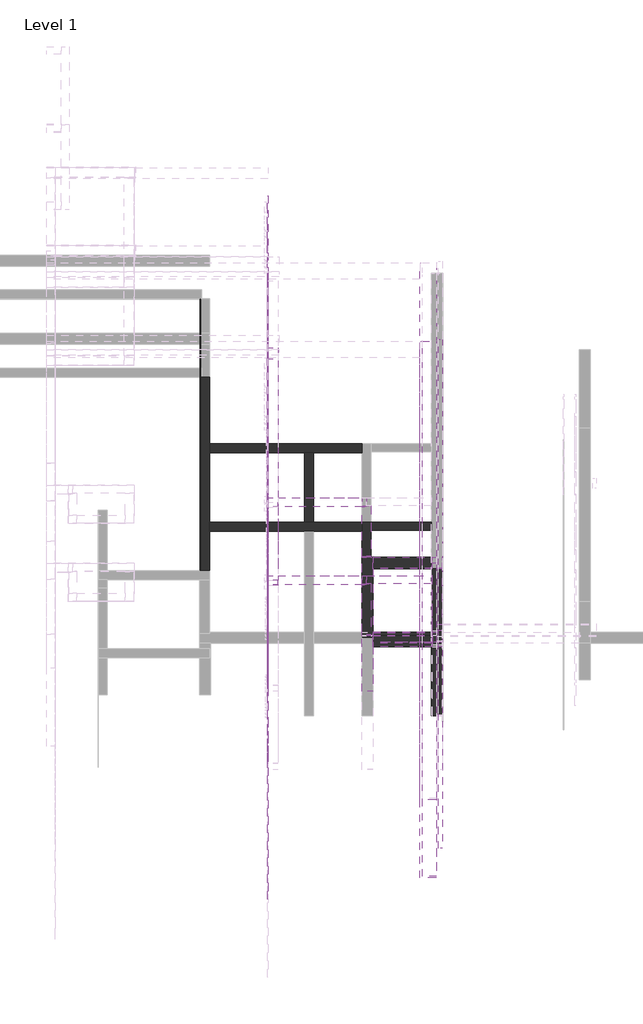
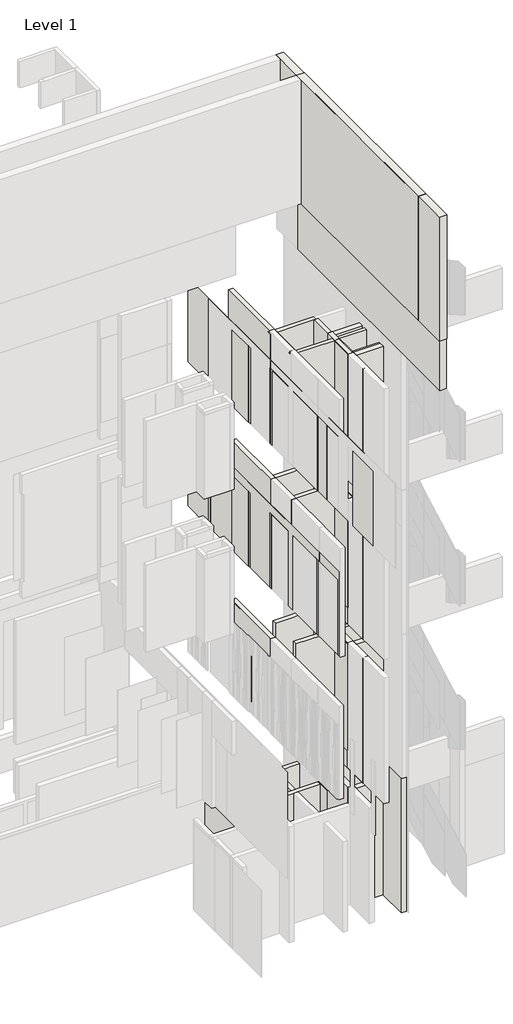
# One storey, part 5 of 16: 54 walls.
"""IFC4 building model written with IfcOpenShell, lengths in millimetres."""

from ifc_helpers import new_model, si_unit, point, frame, frame_2d, origin, origin_with_axes, place, context, project, spatial, polyline, circle_curve, trimmed, segment, composite_curve, outline, extrude, faceted_brep, element, save

model = new_model("IFC4")

# Units and contexts
model_context = context("Model", 3, world=origin())
ifc_project = project(units=[si_unit("LENGTHUNIT", "METRE", prefix="MILLI")], contexts=[model_context])

# Site, building, storey
site = spatial("IfcSite", under=ifc_project)
building = spatial("IfcBuilding", under=site)
storey = spatial("IfcBuildingStorey", under=building, Name="Level 1", Elevation=0.0)

# Walls
placement = place(None, origin())
element("IfcWall", 1, at=placement, inside=storey, context=model_context, shape_type="Brep", body=[
    faceted_brep([(11223.7910444, 9235.119403, 18400.0), (11223.7910444, 9019.119403, 18400.0), (11223.7910444, 2257.1194027, 18400.0), (11223.7910444, 2257.1194027, 22100.0), (11223.7910444, 9019.119403, 22100.0), (11223.7910444, 9235.119403, 22100.0), (11439.7910444, 9235.119403, 18400.0), (11439.7910444, 9235.119403, 22100.0), (11439.7910444, 2257.1194027, 22100.0), (11439.7910444, 2257.1194027, 18400.0)], [[[0, 1, 2, 3, 4, 5]], [[6, 7, 8, 9]], [[2, 1, 0, 6, 9]], [[3, 2, 9, 8]], [[5, 4, 3, 8, 7]], [[0, 5, 7, 6]]]),
])
element("IfcWall", 2, at=placement, inside=storey, context=model_context, shape_type="Brep", body=[
    faceted_brep([(11388.7910453, 5408.119403, 7745.0), (11388.7910453, 5408.119403, 4000.0), (11375.7910453, 5408.119403, 4000.0), (10614.7910444, 5408.119403, 4000.0), (10614.7910444, 5408.119403, 7745.0), (11375.7910453, 5408.119403, 7745.0), (11388.7910453, 5264.119403, 4000.0), (11388.7910453, 5264.119403, 7700.0), (11388.7910453, 5264.119403, 7745.0), (10614.7910444, 5264.119403, 7745.0), (10614.7910444, 5264.119403, 4000.0), (11388.7910453, 5336.119403, 7745.0)], [[[0, 1, 2, 3, 4, 5]], [[6, 7, 8, 9, 10]], [[3, 2, 1, 6, 10]], [[0, 5, 4, 9, 8, 11]], [[4, 3, 10, 9]], [[0, 11, 8, 7, 6, 1]]]),
])
element("IfcWall", 3, at=placement, inside=storey, context=model_context, shape_type="Brep", body=[
    faceted_brep([(11388.7910444, 5408.119403, 12045.0), (11388.7910444, 5408.119403, 8300.0), (11375.7910444, 5408.119403, 8300.0), (10614.7910444, 5408.119403, 8300.0), (10614.7910444, 5408.119403, 12045.0), (11375.7910444, 5408.119403, 12045.0), (11388.7910444, 5264.119403, 8300.0), (11388.7910444, 5264.119403, 12045.0), (10614.7910444, 5264.119403, 12045.0), (10614.7910444, 5264.119403, 8300.0)], [[[0, 1, 2, 3, 4, 5]], [[6, 7, 8, 9]], [[3, 2, 1, 6, 9]], [[0, 5, 4, 8, 7]], [[4, 3, 9, 8]], [[0, 7, 6, 1]]]),
])
element("IfcWall", 4, at=placement, inside=storey, context=model_context, shape_type="Brep", body=[
    faceted_brep([(11375.7910444, 6185.119403, 12045.0), (11375.7910444, 6185.119403, 8800.0), (10529.7910444, 6185.119403, 8800.0), (10529.7910444, 6185.119403, 12045.0), (11375.7910444, 6080.119403, 8800.0), (11375.7910444, 6080.119403, 12045.0), (10588.7910444, 6080.119403, 12045.0), (10529.7910444, 6080.119403, 12045.0), (10529.7910444, 6080.119403, 8800.0), (10588.7910444, 6080.119403, 8800.0)], [[[0, 1, 2, 3]], [[4, 5, 6, 7, 8, 9]], [[2, 1, 4, 9, 8]], [[3, 2, 8, 7]], [[0, 3, 7, 6, 5]], [[0, 5, 4, 1]]]),
])
element("IfcWall", 5, at=placement, inside=storey, context=model_context, shape_type="Brep", body=[
    faceted_brep([(11383.2910444, 5408.119403, 16367.0), (11383.2910444, 5408.119403, 12600.0), (11375.7910444, 5408.119403, 12600.0), (10614.7910444, 5408.119403, 12600.0), (10614.7910444, 5408.119403, 16367.0), (11375.7910444, 5408.119403, 16367.0), (11383.2910444, 5264.119403, 12600.0), (11383.2910444, 5264.119403, 16367.0), (10614.7910444, 5264.119403, 16367.0), (10614.7910444, 5264.119403, 12600.0), (11383.2910444, 5336.119403, 16367.0)], [[[0, 1, 2, 3, 4, 5]], [[6, 7, 8, 9]], [[3, 2, 1, 6, 9]], [[7, 10, 0, 5, 4, 8]], [[4, 3, 9, 8]], [[0, 10, 7, 6, 1]]]),
])
element("IfcWall", 6, at=placement, inside=storey, context=model_context, shape_type="Brep", body=[
    faceted_brep([(11375.7910444, 6185.119403, 13100.0), (10529.2910444, 6185.119403, 13100.0), (10529.2910444, 6185.119403, 16367.0), (11375.7910444, 6185.119403, 16367.0), (11375.7910444, 6080.119403, 13100.0), (11375.7910444, 6080.119403, 16367.0), (10588.2910444, 6080.119403, 16367.0), (10529.2910444, 6080.119403, 16367.0), (10529.2910444, 6080.119403, 13100.0), (10588.2910444, 6080.119403, 13100.0)], [[[0, 1, 2, 3]], [[4, 5, 6, 7, 8, 9]], [[1, 0, 4, 9, 8]], [[2, 1, 8, 7]], [[3, 2, 7, 6, 5]], [[0, 3, 5, 4]]]),
])
element("IfcWall", 7, at=placement, inside=storey, context=model_context, shape_type="Brep", body=[
    faceted_brep([(11439.7910444, 2274.1194027, 16900.0), (11439.7910444, 9235.119403, 16900.0), (11439.7910444, 9235.119403, 18400.0), (11439.7910444, 2274.1194027, 18400.0), (11257.7910444, 2274.1194027, 16900.0), (11257.7910444, 2274.1194027, 18400.0), (11257.7910444, 9053.119403, 18400.0), (11257.7910444, 9235.119403, 18400.0), (11257.7910444, 9235.119403, 16900.0), (11257.7910444, 9053.119403, 16900.0)], [[[0, 1, 2, 3]], [[4, 5, 6, 7, 8, 9]], [[1, 0, 4, 9, 8]], [[3, 2, 7, 6, 5]], [[0, 3, 5, 4]], [[2, 1, 8, 7]]]),
])
element("IfcWall", 8, at=placement, inside=storey, context=model_context, shape_type="Brep", body=[
    faceted_brep([(11375.7910444, 5408.119403, 0.0), (10614.7910444, 5408.119403, 0.0), (10614.7910444, 5408.119403, 2850.0), (10614.7910444, 5408.119403, 3437.0370192), (10614.7910444, 5408.119403, 3446.0), (11375.7910444, 5408.119403, 3446.0), (11375.7910444, 5264.119403, 0.0), (11375.7910444, 5264.119403, 3446.0), (10614.7910444, 5264.119403, 3446.0), (10614.7910444, 5264.119403, 0.0), (11375.7910444, 5268.119403, 0.0), (10614.7910444, 5382.1090398, 0.0)], [[[0, 1, 2, 3, 4, 5]], [[6, 7, 8, 9]], [[1, 0, 10, 6, 9, 11]], [[5, 4, 8, 7]], [[0, 5, 7, 6, 10]], [[4, 3, 2, 1, 11, 9, 8]]]),
])
element("IfcWall", 9, at=placement, inside=storey, context=model_context, shape_type="Brep", body=[
    faceted_brep([(11519.7910444, 4366.119403, 0.0), (11519.7910444, 5264.119403, 0.0), (11519.7910444, 5264.119403, 3446.0), (11519.7910444, 5454.1090398, 3446.0), (11519.7910444, 5454.1090398, 4000.0), (11519.7910444, 5310.1090398, 4000.0), (11519.7910444, 4366.119403, 4000.0), (11375.7910444, 4366.119403, 0.0), (11375.7910444, 4366.119403, 4000.0), (11375.7910444, 5454.1090398, 4000.0), (11375.7910444, 5454.1090398, 3446.0), (11375.7910444, 5264.119403, 3446.0), (11375.7910444, 5264.119403, 0.0)], [[[0, 1, 2, 3, 4, 5, 6]], [[7, 8, 9, 10, 11, 12]], [[1, 0, 7, 12]], [[6, 5, 4, 9, 8]], [[0, 6, 8, 7]], [[10, 3, 2, 11]], [[1, 12, 11, 2]], [[4, 3, 10, 9]]]),
])
element("IfcWall", 10, at=placement, inside=storey, context=model_context, shape_type="Brep", body=[
    faceted_brep([(8486.7910444, 6767.119403, 0.0), (9723.7910444, 6767.119403, 0.0), (9841.7910444, 6767.119403, 0.0), (10470.7910444, 6767.119403, 0.0), (10470.7910444, 6767.119403, 2700.0), (9841.7910444, 6767.119403, 2700.0), (9723.7910444, 6767.119403, 2700.0), (8486.7910444, 6767.119403, 2700.0), (8486.7910444, 6885.119403, 0.0), (8486.7910444, 6885.119403, 2700.0), (9723.7910444, 6885.119403, 2700.0), (9841.7910444, 6885.119403, 2700.0), (10470.7910444, 6885.119403, 2700.0), (10470.7910444, 6885.119403, 0.0), (9841.7910444, 6885.119403, 0.0), (9723.7910444, 6885.119403, 0.0)], [[[0, 1, 2, 3, 4, 5, 6, 7]], [[8, 9, 10, 11, 12, 13, 14, 15]], [[3, 2, 1, 0, 8, 15, 14, 13]], [[7, 6, 5, 4, 12, 11, 10, 9]], [[0, 7, 9, 8]], [[4, 3, 13, 12]]]),
])
element("IfcWall", 11, at=placement, inside=storey, context=model_context, shape_type="Brep", body=[
    faceted_brep([(10588.7910444, 5382.1090398, 0.0), (10588.7910444, 5454.1090398, 0.0), (10588.7910444, 6780.119403, 0.0), (10588.7910444, 6885.119403, 0.0), (10588.7910444, 6885.119403, 2700.0), (10588.7910444, 6780.119403, 2700.0), (10588.7910444, 5454.1090398, 2700.0), (10588.7910444, 5382.1090398, 2700.0), (10470.7910444, 5382.1090398, 0.0), (10470.7910444, 5382.1090398, 2700.0), (10470.7910444, 6767.119403, 2700.0), (10470.7910444, 6885.119403, 2700.0), (10470.7910444, 6885.119403, 0.0), (10470.7910444, 6767.119403, 0.0), (10470.7910444, 5454.1090398, 0.0)], [[[0, 1, 2, 3, 4, 5, 6, 7]], [[8, 9, 10, 11, 12, 13, 14]], [[3, 2, 1, 0, 8, 14, 13, 12]], [[7, 6, 5, 4, 11, 10, 9]], [[0, 7, 9, 8]], [[4, 3, 12, 11]]]),
])
element("IfcWall", 12, at=placement, inside=storey, context=model_context, shape_type="SweptSolid", body=[
    extrude(outline(polyline([(11375.7910444, 6780.119403), (10588.7910444, 6780.119403), (10588.7910444, 6885.119403), (11375.7910444, 6885.119403), (11375.7910444, 6780.119403)])), origin_with_axes(), (0.0, 0.0, 1.0), 2700.0),
])
element("IfcWall", 13, at=placement, inside=storey, context=model_context, shape_type="Brep", body=[
    faceted_brep([(11375.7910453, 6185.119403, 4500.0), (10470.7910444, 6185.119403, 4500.0), (10470.7910444, 6185.119403, 7700.0), (11375.7910453, 6185.119403, 7700.0), (11375.7910453, 6080.119403, 4500.0), (11375.7910453, 6080.119403, 7700.0), (10588.7910444, 6080.119403, 7700.0), (10470.7910444, 6080.119403, 7700.0), (10470.7910444, 6080.119403, 4500.0), (10588.7910444, 6080.119403, 4500.0)], [[[0, 1, 2, 3]], [[4, 5, 6, 7, 8, 9]], [[1, 0, 4, 9, 8]], [[3, 2, 7, 6, 5]], [[0, 3, 5, 4]], [[2, 1, 8, 7]]]),
])
element("IfcWall", 14, at=placement, inside=storey, context=model_context, shape_type="Brep", body=[
    faceted_brep([(10588.7910444, 5421.619403, 4500.0), (10588.7910444, 6080.119403, 4500.0), (10588.7910444, 6080.119403, 7700.0), (10588.7910444, 5421.619403, 7700.0), (10470.7910444, 5421.619403, 4500.0), (10470.7910444, 5421.619403, 7700.0), (10470.7910444, 6067.119403, 7700.0), (10470.7910444, 6080.119403, 7700.0), (10470.7910444, 6080.119403, 4500.0), (10470.7910444, 6067.119403, 4500.0)], [[[0, 1, 2, 3]], [[4, 5, 6, 7, 8, 9]], [[1, 0, 4, 9, 8]], [[3, 2, 7, 6, 5]], [[0, 3, 5, 4]], [[2, 1, 8, 7]]]),
])
element("IfcWall", 15, at=placement, inside=storey, context=model_context, shape_type="Brep", body=[
    faceted_brep([(9377.7910444, 6062.119403, 4500.0), (9377.7910444, 6067.119403, 4500.0), (9377.7910444, 6185.119403, 4500.0), (9377.7910444, 7083.1090398, 4500.0), (9377.7910444, 7201.1090398, 4500.0), (9377.7910444, 9004.119403, 4500.0), (9377.7910444, 9004.119403, 7279.0), (9377.7910444, 6062.119403, 7279.0), (9246.7910444, 6062.119403, 4500.0), (9246.7910444, 6062.119403, 7279.0), (9246.7910444, 9004.119403, 7279.0), (9246.7910444, 9004.119403, 4500.0)], [[[0, 1, 2, 3, 4, 5, 6, 7]], [[8, 9, 10, 11]], [[5, 4, 3, 2, 1, 0, 8, 11]], [[6, 5, 11, 10]], [[7, 6, 10, 9]], [[0, 7, 9, 8]]]),
])
element("IfcWall", 16, at=placement, inside=storey, context=model_context, shape_type="SweptSolid", body=[
    extrude(outline(polyline([(10588.7910444, 6080.119403), (10588.7910444, 5408.119403), (10470.7910444, 5408.119403), (10470.7910444, 6067.119403), (10529.7910444, 6067.119403), (10529.7910444, 6080.119403), (10588.7910444, 6080.119403)])), frame((0.0, 0.0, 8800.0), z_axis=(0.0, 0.0, 1.0), x_axis=(1.0, 0.0, 0.0)), (0.0, 0.0, 1.0), 3245.0),
])
element("IfcWall", 17, at=placement, inside=storey, context=model_context, shape_type="Brep", body=[
    faceted_brep([(9377.7910444, 6060.619403, 8800.0), (9377.7910444, 6067.119403, 8800.0), (9377.7910444, 6185.119403, 8800.0), (9377.7910444, 7083.1090398, 8800.0), (9377.7910444, 7201.1090398, 8800.0), (9377.7910444, 9004.119403, 8800.0), (9377.7910444, 9004.119403, 12045.0), (9377.7910444, 7201.1090398, 12045.0), (9377.7910444, 7083.1090398, 12045.0), (9377.7910444, 6185.119403, 12045.0), (9377.7910444, 6067.119403, 12045.0), (9377.7910444, 6060.619403, 12045.0), (9246.7910444, 6060.619403, 8800.0), (9246.7910444, 6060.619403, 12045.0), (9246.7910444, 9004.119403, 12045.0), (9246.7910444, 9004.119403, 8800.0)], [[[0, 1, 2, 3, 4, 5, 6, 7, 8, 9, 10, 11]], [[12, 13, 14, 15]], [[5, 4, 3, 2, 1, 0, 12, 15]], [[11, 10, 9, 8, 7, 6, 14, 13]], [[0, 11, 13, 12]], [[5, 15, 14, 6]]]),
])
element("IfcWall", 18, at=placement, inside=storey, context=model_context, shape_type="SweptSolid", body=[
    extrude(outline(polyline([(6185.119403, 13100.0), (6185.119403, 16367.0), (6126.119403, 16367.0), (6126.119403, 16440.0), (9148.119403, 16440.0), (9148.119403, 13100.0), (6185.119403, 13100.0)])), frame((9246.7910453, 0.0, 0.0), z_axis=(1.0, 0.0, 0.0), x_axis=(0.0, 1.0, 0.0)), (0.0, 0.0, 1.0), 131.0),
])
element("IfcWall", 19, at=placement, inside=storey, context=model_context, shape_type="Brep", body=[
    faceted_brep([(10588.2910444, 5408.119403, 13100.0), (10588.2910444, 6080.119403, 13100.0), (10588.2910444, 6080.119403, 16367.0), (10588.2910444, 5408.119403, 16367.0), (10470.2910444, 5408.119403, 13100.0), (10470.2910444, 5408.119403, 16367.0), (10470.2910444, 6067.119403, 16367.0), (10470.2910444, 6067.119403, 13100.0), (10529.2910444, 6067.119403, 13100.0), (10529.2910444, 6080.119403, 13100.0), (10529.2910444, 6080.119403, 16367.0), (10529.2910444, 6067.119403, 16367.0), (10470.7910444, 5408.119403, 16367.0)], [[[0, 1, 2, 3]], [[4, 5, 6, 7]], [[1, 0, 4, 7, 8, 9]], [[3, 2, 10, 11, 6, 5, 12]], [[0, 3, 12, 5, 4]], [[2, 1, 9, 10]], [[9, 8, 11, 10]], [[8, 7, 6, 11]]]),
])
element("IfcWall", 20, at=placement, inside=storey, context=model_context, shape_type="SweptSolid", body=[
    extrude(outline(polyline([(8767.4496323, 0.0), (5235.4496323, 0.0), (5235.4496323, 2600.0), (8767.4496323, 2600.0), (8767.4496323, 0.0)]), holes=[composite_curve([segment(polyline([(8766.0496323, 58.0), (8766.0496323, 28.3999453)]), True, "CONTINUOUS"), segment(trimmed(circle_curve(frame_2d((8747.0496323, 28.3999453)), 19.0), [point((8766.0496323, 28.3999453))], [point((8747.0040598, 9.4))], False, "CARTESIAN"), True, "CONTINUOUS"), segment(polyline([(8747.0040598, 9.4), (8747.0040598, 8.3999453)]), True, "CONTINUOUS"), segment(trimmed(circle_curve(frame_2d((8747.0040598, 28.3999453)), 20.0), [point((8747.0040598, 8.3999453))], [point((8767.0040598, 28.3999453))], True, "CARTESIAN"), True, "CONTINUOUS"), segment(polyline([(8767.0040598, 28.3999453), (8767.0040598, 58.0), (8766.0496323, 58.0)]), True, "CONTINUOUS")], self_intersect=False)]), frame((8366.7910444, 0.0, 0.0), z_axis=(1.0, 0.0, 0.0), x_axis=(0.0, 1.0, 0.0)), (0.0, 0.0, 1.0), 2.0),
])
element("IfcWall", 21, at=placement, inside=storey, context=model_context, shape_type="Brep", body=[
    faceted_brep([(8486.7910444, 5235.4496323, 3445.0), (8486.7910444, 5235.4496323, 2700.0), (8486.7910444, 5235.4496323, 0.0), (8486.7910444, 6767.119403, 0.0), (8486.7910444, 6885.119403, 0.0), (8486.7910444, 7783.1090398, 0.0), (8486.7910444, 7901.1090398, 0.0), (8486.7910444, 8769.119403, 0.0), (8486.7910444, 8769.119403, 2700.0), (8486.7910444, 8828.119403, 2700.0), (8486.7910444, 8828.119403, 3445.0), (8368.7910444, 5235.4496323, 0.0), (8368.7910444, 5235.4496323, 3445.0), (8368.7910444, 8828.119403, 3445.0), (8368.7910444, 8828.119403, 2700.0), (8368.7910444, 8769.119403, 2700.0), (8368.7910444, 8769.119403, 0.0), (8368.7910444, 8767.4496323, 0.0), (8368.7910444, 6253.4392691, 0.0), (8368.7910444, 6251.4392691, 0.0), (8381.7910444, 8769.119403, 0.0), (8381.7910444, 8828.119403, 3445.0), (8381.7910444, 8828.119403, 2700.0), (8381.7910444, 8769.119403, 2700.0)], [[[0, 1, 2, 3, 4, 5, 6, 7, 8, 9, 10]], [[11, 12, 13, 14, 15, 16, 17, 18, 19]], [[7, 6, 5, 4, 3, 2, 11, 19, 18, 17, 16, 20]], [[0, 10, 21, 13, 12]], [[10, 9, 22, 14, 13, 21]], [[14, 22, 9, 8, 23, 15]], [[8, 7, 20, 16, 15, 23]], [[0, 12, 11, 2, 1]]]),
])
element("IfcWall", 22, at=placement, inside=storey, context=model_context, shape_type="Brep", body=[
    faceted_brep([(10470.7910444, 6185.119403, 4500.0), (9377.7910444, 6185.119403, 4500.0), (9377.7910444, 6185.119403, 7700.0), (10470.7910444, 6185.119403, 7700.0), (10470.7910444, 6067.119403, 4500.0), (10470.7910444, 6067.119403, 7700.0), (9377.7910444, 6067.119403, 7700.0), (9377.7910444, 6067.119403, 4500.0), (10470.7910444, 6080.119403, 4500.0), (10470.7910444, 6080.119403, 7700.0)], [[[0, 1, 2, 3]], [[4, 5, 6, 7]], [[1, 0, 8, 4, 7]], [[3, 2, 6, 5, 9]], [[2, 1, 7, 6]], [[0, 3, 9, 5, 4, 8]]]),
])
element("IfcWall", 23, at=placement, inside=storey, context=model_context, shape_type="Brep", body=[
    faceted_brep([(10529.7910444, 6185.119403, 8800.0), (9377.7910444, 6185.119403, 8800.0), (9377.7910444, 6185.119403, 12045.0), (10529.7910444, 6185.119403, 12045.0), (10529.7910444, 6067.119403, 8800.0), (10529.7910444, 6067.119403, 12045.0), (10470.7910444, 6067.119403, 12045.0), (9377.7910444, 6067.119403, 12045.0), (9377.7910444, 6067.119403, 8800.0), (10470.7910444, 6067.119403, 8800.0), (10529.7910444, 6080.119403, 8800.0), (10529.7910444, 6080.119403, 12045.0)], [[[0, 1, 2, 3]], [[4, 5, 6, 7, 8, 9]], [[1, 0, 10, 4, 9, 8]], [[3, 2, 7, 6, 5, 11]], [[0, 3, 11, 5, 4, 10]], [[2, 1, 8, 7]]]),
])
element("IfcWall", 24, at=placement, inside=storey, context=model_context, shape_type="Brep", body=[
    faceted_brep([(10529.2910444, 6185.119403, 13100.0), (9377.7910453, 6185.119403, 13100.0), (9246.7910453, 6185.119403, 13100.0), (9246.7910453, 6185.119403, 16367.0), (9377.7910453, 6185.119403, 16367.0), (10529.2910444, 6185.119403, 16367.0), (10529.2910444, 6067.119403, 13100.0), (10529.2910444, 6067.119403, 16367.0), (10470.2910444, 6067.119403, 16367.0), (9377.7910453, 6067.119403, 16367.0), (9246.7910453, 6067.119403, 16367.0), (9246.7910453, 6067.119403, 13100.0), (9377.7910453, 6067.119403, 13100.0), (10470.2910444, 6067.119403, 13100.0), (10529.2910444, 6080.119403, 13100.0), (9246.7910453, 6126.119403, 16367.0), (10529.2910444, 6080.119403, 16367.0)], [[[0, 1, 2, 3, 4, 5]], [[6, 7, 8, 9, 10, 11, 12, 13]], [[2, 1, 0, 14, 6, 13, 12, 11]], [[5, 4, 3, 15, 10, 9, 8, 7, 16]], [[0, 5, 16, 7, 6, 14]], [[3, 2, 11, 10, 15]]]),
])
element("IfcWall", 25, at=placement, inside=storey, context=model_context, shape_type="SweptSolid", body=[
    extrude(outline(polyline([(11466.7910444, 2642.619403), (11466.7910444, 9255.119403), (11520.7910444, 9255.119403), (11520.7910444, 2642.619403), (11466.7910444, 2642.619403)])), frame((0.0, 0.0, 16900.0), z_axis=(0.0, 0.0, 1.0), x_axis=(1.0, 0.0, 0.0)), (0.0, 0.0, 1.0), 3510.0),
])
element("IfcWall", 26, at=placement, inside=storey, context=model_context, shape_type="Brep", body=[
    faceted_brep([(11223.7910444, 10251.1090398, 22100.0), (11223.7910444, 10251.1090398, 18400.0), (11223.7910444, 10035.1090398, 18400.0), (11223.7910444, 3273.1090394, 18400.0), (11223.7910444, 3273.1090394, 22100.0), (11223.7910444, 10035.1090398, 22100.0), (11439.7910444, 10251.1090398, 18400.0), (11439.7910444, 10251.1090398, 22100.0), (11439.7910444, 3273.1090394, 22100.0), (11439.7910444, 3273.1090394, 18400.0), (11439.7910444, 3290.1090394, 18400.0), (11257.7910444, 10251.1090398, 18400.0)], [[[0, 1, 2, 3, 4, 5]], [[6, 7, 8, 9, 10]], [[3, 2, 1, 11, 6, 10, 9]], [[4, 3, 9, 8]], [[0, 5, 4, 8, 7]], [[0, 7, 6, 11, 1]]]),
])
element("IfcWall", 27, at=placement, inside=storey, context=model_context, shape_type="Brep", body=[
    faceted_brep([(10614.7910444, 4682.1090398, 4000.0), (10614.7910444, 5264.119403, 4000.0), (10614.7910444, 5323.1090398, 4000.0), (10614.7910444, 5408.119403, 4000.0), (10614.7910444, 5454.1090398, 4000.0), (10614.7910444, 6280.1090398, 4000.0), (10614.7910444, 6424.1090398, 4000.0), (10614.7910444, 6437.6090398, 4000.0), (10614.7910444, 6437.6090398, 7745.0), (10614.7910444, 6424.1090398, 7745.0), (10614.7910444, 6280.1090398, 7745.0), (10614.7910444, 5408.119403, 7745.0), (10614.7910444, 5264.119403, 7745.0), (10614.7910444, 4682.1090398, 7745.0), (10470.7910444, 4682.1090398, 4000.0), (10470.7910444, 4682.1090398, 7745.0), (10470.7910444, 6437.6090398, 7745.0), (10470.7910444, 6437.6090398, 4000.0)], [[[0, 1, 2, 3, 4, 5, 6, 7, 8, 9, 10, 11, 12, 13]], [[14, 15, 16, 17]], [[7, 6, 5, 4, 3, 2, 1, 0, 14, 17]], [[8, 7, 17, 16]], [[13, 12, 11, 10, 9, 8, 16, 15]], [[0, 13, 15, 14]]]),
])
element("IfcWall", 28, at=placement, inside=storey, context=model_context, shape_type="Brep", body=[
    faceted_brep([(11519.7910453, 5454.1090398, 4000.0), (11519.7910453, 6280.1090398, 4000.0), (11519.7910453, 6280.1090398, 7745.0), (11519.7910453, 6352.1090398, 7745.0), (11519.7910453, 6352.1090398, 8300.0), (11519.7910453, 6280.1090398, 8300.0), (11519.7910453, 6280.1090398, 11500.0), (11519.7910453, 5408.119403, 11500.0), (11519.7910453, 5408.119403, 8300.0), (11519.7910453, 5336.119403, 8300.0), (11519.7910453, 5336.119403, 7745.0), (11519.7910453, 5264.119403, 7745.0), (11519.7910453, 5264.119403, 7700.0), (11519.7910453, 5323.1090398, 7700.0), (11519.7910453, 5454.1090398, 7700.0), (11388.7910453, 5454.1090398, 4000.0), (11388.7910453, 5454.1090398, 7700.0), (11388.7910453, 5264.119403, 7700.0), (11388.7910453, 5264.119403, 7745.0), (11388.7910453, 5336.119403, 7745.0), (11388.7910453, 5336.119403, 8300.0), (11388.7910453, 5408.119403, 8300.0), (11388.7910453, 5408.119403, 11500.0), (11388.7910453, 6280.1090398, 11500.0), (11388.7910453, 6280.1090398, 8300.0), (11388.7910453, 6352.1090398, 8300.0), (11388.7910453, 6352.1090398, 7745.0), (11388.7910453, 6280.1090398, 7745.0), (11388.7910453, 6280.1090398, 4000.0)], [[[0, 1, 2, 3, 4, 5, 6, 7, 8, 9, 10, 11, 12, 13, 14]], [[15, 16, 17, 18, 19, 20, 21, 22, 23, 24, 25, 26, 27, 28]], [[1, 0, 15, 28]], [[7, 6, 23, 22]], [[26, 3, 2, 27]], [[2, 1, 28, 27]], [[4, 3, 26, 25]], [[24, 5, 4, 25]], [[6, 5, 24, 23]], [[12, 17, 16, 14, 13]], [[10, 19, 18, 11]], [[10, 9, 20, 19]], [[8, 21, 20, 9]], [[0, 14, 16, 15]], [[12, 11, 18, 17]], [[8, 7, 22, 21]]]),
])
element("IfcWall", 29, at=placement, inside=storey, context=model_context, shape_type="Brep", body=[
    faceted_brep([(11519.7910453, 5454.1090398, 7700.0), (11519.7910453, 5454.1090398, 4000.0), (11388.7910453, 5454.1090398, 4000.0), (10614.7910444, 5454.1090398, 4000.0), (10614.7910444, 5454.1090398, 7700.0), (11388.7910453, 5454.1090398, 7700.0), (11519.7910453, 5323.1090398, 4000.0), (11519.7910453, 5323.1090398, 7700.0), (10614.7910444, 5323.1090398, 7700.0), (10614.7910444, 5323.1090398, 4000.0)], [[[0, 1, 2, 3, 4, 5]], [[6, 7, 8, 9]], [[3, 2, 1, 6, 9]], [[0, 5, 4, 8, 7]], [[4, 3, 9, 8]], [[0, 7, 6, 1]]]),
])
element("IfcWall", 30, at=placement, inside=storey, context=model_context, shape_type="Brep", body=[
    faceted_brep([(11519.7910453, 6424.1090398, 4000.0), (11375.7910453, 6424.1090398, 4000.0), (10614.7910444, 6424.1090398, 4000.0), (10614.7910444, 6424.1090398, 7745.0), (11375.7910453, 6424.1090398, 7745.0), (11519.7910453, 6424.1090398, 7745.0), (11519.7910453, 6280.1090398, 4000.0), (11519.7910453, 6280.1090398, 7745.0), (11388.7910453, 6280.1090398, 7745.0), (10614.7910444, 6280.1090398, 7745.0), (10614.7910444, 6280.1090398, 4000.0), (11388.7910453, 6280.1090398, 4000.0), (11519.7910453, 6352.1090398, 7745.0)], [[[0, 1, 2, 3, 4, 5]], [[6, 7, 8, 9, 10, 11]], [[2, 1, 0, 6, 11, 10]], [[5, 4, 3, 9, 8, 7, 12]], [[3, 2, 10, 9]], [[0, 5, 12, 7, 6]]]),
])
element("IfcWall", 31, at=placement, inside=storey, context=model_context, shape_type="Brep", body=[
    faceted_brep([(10614.7910444, 4682.1090398, 8300.0), (10614.7910444, 5310.1090398, 8300.0), (10614.7910444, 5441.1090398, 8300.0), (10614.7910444, 6280.1090398, 8300.0), (10614.7910444, 6424.1090398, 8300.0), (10614.7910444, 6424.1090398, 12045.0), (10614.7910444, 6280.1090398, 12045.0), (10614.7910444, 5441.1090398, 12045.0), (10614.7910444, 5310.1090398, 12045.0), (10614.7910444, 4682.1090398, 12045.0), (10470.7910444, 4682.1090398, 8300.0), (10470.7910444, 4682.1090398, 12045.0), (10470.7910444, 6424.1090398, 12045.0), (10470.7910444, 6424.1090398, 8300.0), (10588.7910444, 6424.1090398, 12045.0)], [[[0, 1, 2, 3, 4, 5, 6, 7, 8, 9]], [[10, 11, 12, 13]], [[4, 3, 2, 1, 0, 10, 13]], [[9, 8, 7, 6, 5, 14, 12, 11]], [[0, 9, 11, 10]], [[4, 13, 12, 14, 5]]]),
])
element("IfcWall", 32, at=placement, inside=storey, context=model_context, shape_type="SweptSolid", body=[
    extrude(outline(polyline([(5470.4392718, 8300.0), (5470.4392718, 11908.0), (5546.9392718, 11908.0), (5546.9392718, 12600.0), (6352.1090398, 12600.0), (6352.1090398, 12045.0), (6280.1090398, 12045.0), (6280.1090398, 8300.0), (5470.4392718, 8300.0)])), frame((11388.7910444, 0.0, 0.0), z_axis=(1.0, 0.0, 0.0), x_axis=(0.0, 1.0, 0.0)), (0.0, 0.0, 1.0), 131.0),
])
element("IfcWall", 33, at=placement, inside=storey, context=model_context, shape_type="Brep", body=[
    faceted_brep([(11375.7910444, 5441.1090398, 12045.0), (11375.7910444, 5441.1090398, 8300.0), (10614.7910444, 5441.1090398, 8300.0), (10614.7910444, 5441.1090398, 12045.0), (11388.7910453, 5310.1090398, 8300.0), (11388.7910453, 5310.1090398, 11500.0), (11375.7910444, 5310.1090398, 11500.0), (11375.7910444, 5310.1090398, 12045.0), (10614.7910444, 5310.1090398, 12045.0), (10614.7910444, 5310.1090398, 8300.0), (11375.7910444, 5408.119403, 8300.0), (11375.7910444, 5336.119403, 8300.0), (11388.7910453, 5336.119403, 8300.0), (10614.7910444, 5408.119403, 8300.0), (10614.7910444, 5408.119403, 12045.0), (11375.7910444, 5336.119403, 11500.0), (11388.7910453, 5336.119403, 11500.0)], [[[0, 1, 2, 3]], [[4, 5, 6, 7, 8, 9]], [[2, 1, 10, 11, 12, 4, 9, 13]], [[0, 3, 14, 8, 7]], [[3, 2, 13, 9, 8, 14]], [[15, 6, 5, 16]], [[15, 16, 12, 11]], [[12, 16, 5, 4]], [[0, 7, 6, 15, 11, 10, 1]]]),
])
element("IfcWall", 34, at=placement, inside=storey, context=model_context, shape_type="Brep", body=[
    faceted_brep([(11519.7910444, 6424.1090398, 12045.0), (11519.7910444, 6424.1090398, 8300.0), (11375.7910444, 6424.1090398, 8300.0), (10614.7910444, 6424.1090398, 8300.0), (10614.7910444, 6424.1090398, 12045.0), (11375.7910444, 6424.1090398, 12045.0), (11519.7910444, 6280.1090398, 8300.0), (11519.7910444, 6280.1090398, 11500.0), (11519.7910444, 6280.1090398, 12045.0), (11388.7910444, 6280.1090398, 12045.0), (10614.7910444, 6280.1090398, 12045.0), (10614.7910444, 6280.1090398, 8300.0), (11388.7910453, 6280.1090398, 8300.0), (11519.7910444, 6352.1090398, 12045.0)], [[[0, 1, 2, 3, 4, 5]], [[6, 7, 8, 9, 10, 11, 12]], [[3, 2, 1, 6, 12, 11]], [[0, 5, 4, 10, 9, 8, 13]], [[0, 13, 8, 7, 6, 1]], [[4, 3, 11, 10]]]),
])
element("IfcWall", 35, at=placement, inside=storey, context=model_context, shape_type="Brep", body=[
    faceted_brep([(10614.7910444, 4682.1090398, 12600.0), (10614.7910444, 5323.1090398, 12600.0), (10614.7910444, 5454.1090398, 12600.0), (10614.7910444, 6280.1090398, 12600.0), (10614.7910444, 6424.1090398, 12600.0), (10614.7910444, 6424.1090398, 16367.0), (10614.7910444, 6280.1090398, 16367.0), (10614.7910444, 5454.1090398, 16367.0), (10614.7910444, 5323.1090398, 16367.0), (10614.7910444, 4682.1090398, 16367.0), (10470.7910444, 4682.1090398, 12600.0), (10470.7910444, 4682.1090398, 16367.0), (10470.7910444, 6424.1090398, 16367.0), (10470.7910444, 6424.1090398, 12600.0), (10588.2910444, 6424.1090398, 16367.0)], [[[0, 1, 2, 3, 4, 5, 6, 7, 8, 9]], [[10, 11, 12, 13]], [[4, 3, 2, 1, 0, 10, 13]], [[9, 8, 7, 6, 5, 14, 12, 11]], [[0, 9, 11, 10]], [[4, 13, 12, 14, 5]]]),
])
element("IfcWall", 36, at=placement, inside=storey, context=model_context, shape_type="Brep", body=[
    faceted_brep([(11514.2910444, 5546.9392718, 12600.0), (11514.2910444, 6424.1090398, 12600.0), (11514.2910444, 6424.1090398, 16367.0), (11514.2910444, 6352.1090398, 16367.0), (11514.2910444, 6352.1090398, 16879.0), (11514.2910444, 5546.9392718, 16879.0), (11383.2910444, 5546.9392718, 12600.0), (11383.2910444, 5546.9392718, 16879.0), (11383.2910444, 6352.1090398, 16879.0), (11383.2910444, 6352.1090398, 16367.0), (11383.2910444, 6424.1090398, 16367.0), (11383.2910444, 6424.1090398, 12600.0), (11383.2910444, 6280.1090398, 12600.0)], [[[0, 1, 2, 3, 4, 5]], [[6, 7, 8, 9, 10, 11, 12]], [[1, 0, 6, 12, 11]], [[5, 4, 8, 7]], [[4, 3, 9, 8]], [[9, 3, 2, 10]], [[2, 1, 11, 10]], [[0, 5, 7, 6]]]),
])
element("IfcWall", 37, at=placement, inside=storey, context=model_context, shape_type="Brep", body=[
    faceted_brep([(11375.7910444, 5454.1090398, 12600.0), (10614.7910444, 5454.1090398, 12600.0), (10614.7910444, 5454.1090398, 16367.0), (11375.7910444, 5454.1090398, 16367.0), (11383.2910444, 5323.1090398, 12600.0), (11383.2910444, 5323.1090398, 16367.0), (10614.7910444, 5323.1090398, 16367.0), (10614.7910444, 5323.1090398, 12600.0), (11375.7910444, 5408.119403, 12600.0), (11375.7910444, 5336.119403, 12600.0), (11383.2910444, 5336.119403, 12600.0), (10614.7910444, 5408.119403, 12600.0), (10614.7910444, 5408.119403, 16367.0), (11383.2910444, 5336.119403, 16367.0), (11375.7910444, 5336.119403, 16367.0)], [[[0, 1, 2, 3]], [[4, 5, 6, 7]], [[1, 0, 8, 9, 10, 4, 7, 11]], [[3, 2, 12, 6, 5, 13, 14]], [[2, 1, 11, 7, 6, 12]], [[0, 3, 14, 9, 8]], [[14, 13, 10, 9]], [[13, 5, 4, 10]]]),
])
element("IfcWall", 38, at=placement, inside=storey, context=model_context, shape_type="Brep", body=[
    faceted_brep([(11383.2910444, 6424.1090398, 12600.0), (11375.7910444, 6424.1090398, 12600.0), (10614.7910444, 6424.1090398, 12600.0), (10614.7910444, 6424.1090398, 16367.0), (11375.7910444, 6424.1090398, 16367.0), (11383.2910444, 6424.1090398, 16367.0), (11383.2910444, 6280.1090398, 12600.0), (11383.2910444, 6280.1090398, 16367.0), (10614.7910444, 6280.1090398, 16367.0), (10614.7910444, 6280.1090398, 12600.0), (11383.2910444, 6352.1090398, 16367.0)], [[[0, 1, 2, 3, 4, 5]], [[6, 7, 8, 9]], [[2, 1, 0, 6, 9]], [[5, 4, 3, 8, 7, 10]], [[3, 2, 9, 8]], [[0, 5, 10, 7, 6]]]),
])
element("IfcWall", 39, at=placement, inside=storey, context=model_context, shape_type="Brep", body=[
    faceted_brep([(10614.7910444, 5408.119403, 3437.0370192), (10614.7910444, 5408.119403, 2850.0), (10614.7910444, 5408.119403, 0.0), (10614.7910444, 6280.1090398, 0.0), (10614.7910444, 6424.1090398, 0.0), (10614.7910444, 6428.1090398, 0.0), (10614.7910444, 6428.1090398, 3437.0370192), (10470.7910444, 5408.119403, 0.0), (10470.7910444, 5408.119403, 2850.0), (10470.7910444, 5408.119403, 3437.0370192), (10470.7910444, 6428.1090398, 3437.0370192), (10470.7910444, 6428.1090398, 0.0), (10470.7910444, 5454.1090398, 0.0), (10588.7910444, 6428.1090398, 0.0)], [[[0, 1, 2, 3, 4, 5, 6]], [[7, 8, 9, 10, 11, 12]], [[5, 4, 3, 2, 7, 12, 11, 13]], [[6, 5, 13, 11, 10]], [[0, 6, 10, 9]], [[0, 9, 8, 7, 2, 1]]]),
])
element("IfcWall", 40, at=placement, inside=storey, context=model_context, shape_type="Brep", body=[
    faceted_brep([(11519.7910444, 5454.1090398, 0.0), (11375.7910444, 5454.1090398, 0.0), (10588.7910444, 5454.1090398, 0.0), (10588.7910444, 5454.1090398, 2700.0), (10614.7910444, 5454.1090398, 2700.0), (10614.7910444, 5454.1090398, 2850.0), (11375.7910444, 5454.1090398, 2850.0), (11519.7910444, 5454.1090398, 2850.0), (11519.7910444, 5310.1090398, 0.0), (11519.7910444, 5310.1090398, 2850.0), (10614.7910444, 5310.1090398, 2850.0), (10614.7910444, 5310.1090398, 2700.0), (10614.7910444, 5310.1090398, 0.0), (10614.7910444, 5382.1090398, 0.0), (10588.7910444, 5382.1090398, 0.0), (10614.7910444, 5408.119403, 2850.0), (11519.7910444, 5382.1090398, 2850.0), (10614.7910444, 5382.1090398, 2700.0), (10588.7910444, 5382.1090398, 2700.0)], [[[0, 1, 2, 3, 4, 5, 6, 7]], [[8, 9, 10, 11, 12]], [[2, 1, 0, 8, 12, 13, 14]], [[7, 6, 5, 15, 10, 9, 16]], [[0, 7, 16, 9, 8]], [[17, 4, 3, 18]], [[3, 2, 14, 18]], [[14, 13, 17, 18]], [[13, 12, 11, 17]], [[5, 4, 17, 11, 10, 15]]]),
])
element("IfcWall", 41, at=placement, inside=storey, context=model_context, shape_type="Brep", body=[
    faceted_brep([(11375.7910444, 6424.1090398, 0.0), (10614.7910444, 6424.1090398, 0.0), (10614.7910444, 6424.1090398, 3446.0), (11375.7910444, 6424.1090398, 3446.0), (11375.7910444, 6280.1090398, 0.0), (11375.7910444, 6280.1090398, 3446.0), (10614.7910444, 6280.1090398, 3446.0), (10614.7910444, 6280.1090398, 0.0), (11375.7910444, 6284.1090398, 0.0)], [[[0, 1, 2, 3]], [[4, 5, 6, 7]], [[1, 0, 8, 4, 7]], [[3, 2, 6, 5]], [[0, 3, 5, 4, 8]], [[1, 7, 6, 2]]]),
])
element("IfcWall", 42, at=placement, inside=storey, context=model_context, shape_type="Brep", body=[
    faceted_brep([(11519.7910444, 5454.1090398, 0.0), (11519.7910444, 6280.1090398, 0.0), (11519.7910444, 6280.1090398, 4000.0), (11519.7910444, 5454.1090398, 4000.0), (11519.7910444, 5382.1090398, 4000.0), (11519.7910444, 5382.1090398, 2850.0), (11519.7910444, 5454.1090398, 2850.0), (11375.7910444, 5454.1090398, 0.0), (11375.7910444, 5454.1090398, 2850.0), (11375.7910444, 5382.1090398, 2850.0), (11375.7910444, 5382.1090398, 4000.0), (11375.7910444, 6280.1090398, 4000.0), (11375.7910444, 6280.1090398, 0.0)], [[[0, 1, 2, 3, 4, 5, 6]], [[7, 8, 9, 10, 11, 12]], [[1, 0, 7, 12]], [[4, 3, 2, 11, 10]], [[5, 9, 8, 6]], [[4, 10, 9, 5]], [[0, 6, 8, 7]], [[2, 1, 12, 11]]]),
])
element("IfcWall", 43, at=placement, inside=storey, context=model_context, shape_type="Brep", body=[
    faceted_brep([(8486.7910444, 7783.1090398, 0.0), (9723.7910444, 7783.1090398, 0.0), (9841.7910444, 7783.1090398, 0.0), (10470.7910444, 7783.1090398, 0.0), (10470.7910444, 7783.1090398, 2700.0), (9841.7910444, 7783.1090398, 2700.0), (9723.7910444, 7783.1090398, 2700.0), (8486.7910444, 7783.1090398, 2700.0), (8486.7910444, 7901.1090398, 0.0), (8486.7910444, 7901.1090398, 2700.0), (10470.7910444, 7901.1090398, 2700.0), (10470.7910444, 7901.1090398, 0.0)], [[[0, 1, 2, 3, 4, 5, 6, 7]], [[8, 9, 10, 11]], [[3, 2, 1, 0, 8, 11]], [[7, 6, 5, 4, 10, 9]], [[0, 7, 9, 8]], [[4, 3, 11, 10]]]),
])
element("IfcWall", 44, at=placement, inside=storey, context=model_context, shape_type="SweptSolid", body=[
    extrude(outline(polyline([(9723.7910444, 7783.1090398), (9841.7910444, 7783.1090398), (9841.7910444, 6885.119403), (9723.7910444, 6885.119403), (9723.7910444, 7783.1090398)])), origin_with_axes(), (0.0, 0.0, 1.0), 2700.0),
    extrude(outline(polyline([(9841.7910444, 5454.1090398), (9723.7910444, 5454.1090398), (9723.7910444, 6767.119403), (9841.7910444, 6767.119403), (9841.7910444, 5454.1090398)])), origin_with_axes(), (0.0, 0.0, 1.0), 2700.0),
])
element("IfcWall", 45, at=placement, inside=storey, context=model_context, shape_type="Brep", body=[
    faceted_brep([(10588.7910444, 6437.6090398, 4500.0), (10588.7910444, 7096.1090398, 4500.0), (10588.7910444, 7096.1090398, 7700.0), (10588.7910444, 6437.6090398, 7700.0), (10470.7910444, 6437.6090398, 4500.0), (10470.7910444, 6437.6090398, 7700.0), (10470.7910444, 7083.1090398, 7700.0), (10470.7910444, 7096.1090398, 7700.0), (10470.7910444, 7096.1090398, 4500.0), (10470.7910444, 7083.1090398, 4500.0)], [[[0, 1, 2, 3]], [[4, 5, 6, 7, 8, 9]], [[1, 0, 4, 9, 8]], [[3, 2, 7, 6, 5]], [[0, 3, 5, 4]], [[2, 1, 8, 7]]]),
])
element("IfcWall", 46, at=placement, inside=storey, context=model_context, shape_type="SweptSolid", body=[
    extrude(outline(polyline([(10588.7910444, 7096.1090398), (10588.7910444, 6424.1090398), (10470.7910444, 6424.1090398), (10470.7910444, 7083.1090398), (10529.7910444, 7083.1090398), (10529.7910444, 7096.1090398), (10588.7910444, 7096.1090398)])), frame((0.0, 0.0, 8800.0), z_axis=(0.0, 0.0, 1.0), x_axis=(1.0, 0.0, 0.0)), (0.0, 0.0, 1.0), 3245.0),
])
element("IfcWall", 47, at=placement, inside=storey, context=model_context, shape_type="Brep", body=[
    faceted_brep([(10588.2910444, 6424.1090398, 13100.0), (10588.2910444, 7096.1090398, 13100.0), (10588.2910444, 7096.1090398, 16367.0), (10588.2910444, 6424.1090398, 16367.0), (10470.2910444, 6424.1090398, 13100.0), (10470.2910444, 6424.1090398, 16367.0), (10470.2910444, 7083.1090398, 16367.0), (10470.2910444, 7083.1090398, 13100.0), (10529.2910444, 7083.1090398, 13100.0), (10529.2910444, 7096.1090398, 13100.0), (10529.2910444, 7096.1090398, 16367.0), (10529.2910444, 7083.1090398, 16367.0), (10470.7910444, 6424.1090398, 16367.0)], [[[0, 1, 2, 3]], [[4, 5, 6, 7]], [[1, 0, 4, 7, 8, 9]], [[3, 2, 10, 11, 6, 5, 12]], [[0, 3, 12, 5, 4]], [[2, 1, 9, 10]], [[9, 8, 11, 10]], [[8, 7, 6, 11]]]),
])
element("IfcWall", 48, at=placement, inside=storey, context=model_context, shape_type="SweptSolid", body=[
    extrude(outline(polyline([(9783.4392691, 0.0), (6251.4392691, 0.0), (6251.4392691, 2600.0), (9783.4392691, 2600.0), (9783.4392691, 0.0)]), holes=[composite_curve([segment(polyline([(9782.0392691, 58.0), (9782.0392691, 28.3999453)]), True, "CONTINUOUS"), segment(trimmed(circle_curve(frame_2d((9763.0392691, 28.3999453)), 19.0), [point((9782.0392691, 28.3999453))], [point((9762.9936966, 9.4))], False, "CARTESIAN"), True, "CONTINUOUS"), segment(polyline([(9762.9936966, 9.4), (9762.9936966, 8.3999453)]), True, "CONTINUOUS"), segment(trimmed(circle_curve(frame_2d((9762.9936966, 28.3999453)), 20.0), [point((9762.9936966, 8.3999453))], [point((9782.9936966, 28.3999453))], True, "CARTESIAN"), True, "CONTINUOUS"), segment(polyline([(9782.9936966, 28.3999453), (9782.9936966, 58.0), (9782.0392691, 58.0)]), True, "CONTINUOUS")], self_intersect=False)]), frame((8366.7910444, 0.0, 0.0), z_axis=(1.0, 0.0, 0.0), x_axis=(0.0, 1.0, 0.0)), (0.0, 0.0, 1.0), 2.0),
])
element("IfcWall", 49, at=placement, inside=storey, context=model_context, shape_type="Brep", body=[
    faceted_brep([(10470.7910444, 7201.1090398, 4500.0), (9377.7910444, 7201.1090398, 4500.0), (9377.7910444, 7201.1090398, 7700.0), (10470.7910444, 7201.1090398, 7700.0), (10470.7910444, 7083.1090398, 4500.0), (10470.7910444, 7083.1090398, 7700.0), (9377.7910444, 7083.1090398, 7700.0), (9377.7910444, 7083.1090398, 4500.0), (10470.7910444, 7096.1090398, 4500.0), (10470.7910444, 7096.1090398, 7700.0)], [[[0, 1, 2, 3]], [[4, 5, 6, 7]], [[1, 0, 8, 4, 7]], [[3, 2, 6, 5, 9]], [[2, 1, 7, 6]], [[0, 3, 9, 5, 4, 8]]]),
])
element("IfcWall", 50, at=placement, inside=storey, context=model_context, shape_type="Brep", body=[
    faceted_brep([(10529.7910444, 7201.1090398, 8800.0), (9377.7910444, 7201.1090398, 8800.0), (9377.7910444, 7201.1090398, 12045.0), (10529.7910444, 7201.1090398, 12045.0), (10529.7910444, 7083.1090398, 8800.0), (10529.7910444, 7083.1090398, 12045.0), (10470.7910444, 7083.1090398, 12045.0), (9377.7910444, 7083.1090398, 12045.0), (9377.7910444, 7083.1090398, 8800.0), (10470.7910444, 7083.1090398, 8800.0), (10529.7910444, 7096.1090398, 8800.0), (10529.7910444, 7096.1090398, 12045.0)], [[[0, 1, 2, 3]], [[4, 5, 6, 7, 8, 9]], [[1, 0, 10, 4, 9, 8]], [[3, 2, 7, 6, 5, 11]], [[0, 3, 11, 5, 4, 10]], [[2, 1, 8, 7]]]),
])
element("IfcWall", 51, at=placement, inside=storey, context=model_context, shape_type="Brep", body=[
    faceted_brep([(10529.2910444, 7201.1090398, 13100.0), (9377.7910453, 7201.1090398, 13100.0), (9246.7910453, 7201.1090398, 13100.0), (9246.7910453, 7201.1090398, 16367.0), (9377.7910453, 7201.1090398, 16367.0), (10529.2910444, 7201.1090398, 16367.0), (10529.2910444, 7083.1090398, 13100.0), (10529.2910444, 7083.1090398, 16367.0), (10470.2910444, 7083.1090398, 16367.0), (9377.7910453, 7083.1090398, 16367.0), (9246.7910453, 7083.1090398, 16367.0), (9246.7910453, 7083.1090398, 13100.0), (9377.7910453, 7083.1090398, 13100.0), (10470.2910444, 7083.1090398, 13100.0), (10529.2910444, 7096.1090398, 13100.0), (9246.7910453, 7142.1090398, 16367.0), (10529.2910444, 7096.1090398, 16367.0)], [[[0, 1, 2, 3, 4, 5]], [[6, 7, 8, 9, 10, 11, 12, 13]], [[2, 1, 0, 14, 6, 13, 12, 11]], [[5, 4, 3, 15, 10, 9, 8, 7, 16]], [[0, 5, 16, 7, 6, 14]], [[3, 2, 11, 10, 15]]]),
])
element("IfcWall", 52, ObjectType="Finish - PA2 - Paint Finish_Quarter Stack", at=placement, inside=storey, context=model_context, shape_type="SweptSolid", body=[
    extrude(outline(polyline([(3748.1090395, 8800.0), (3748.1090395, 11300.0), (10107.1090395, 11300.0), (10107.1090395, 8800.0), (8983.9496352, 8800.0), (8983.9496352, 8880.8), (8996.9496352, 8880.8), (8996.9496352, 11036.0), (8056.9496352, 11036.0), (8056.9496352, 8880.8), (8069.9496352, 8880.8), (8069.9496352, 8800.0), (7141.119403, 8800.0), (7141.119403, 11036.0), (6201.119403, 11036.0), (6201.119403, 8800.0), (6014.619403, 8800.0), (6014.619403, 11036.0), (3789.619403, 11036.0), (3789.619403, 8800.0), (3748.1090395, 8800.0)])), frame((9244.7910444, 0.0, 0.0), z_axis=(1.0, 0.0, 0.0), x_axis=(0.0, 1.0, 0.0)), (0.0, 0.0, 1.0), 2.0),
])
element("IfcWall", 53, ObjectType="Finish - PA2 - Paint Finish_Quarter Stack", at=placement, inside=storey, context=model_context, shape_type="Brep", body=[
    faceted_brep([(9244.7910444, 4764.0986763, 8800.0), (9244.7910444, 4764.0986763, 11300.0), (9244.7910444, 11123.0986763, 11300.0), (9244.7910444, 11123.0986763, 8800.0), (9244.7910444, 10228.1090395, 8800.0), (9244.7910444, 10226.1090395, 8800.0), (9244.7910444, 9999.939272, 8800.0), (9244.7910444, 9999.939272, 8880.8), (9244.7910444, 10012.939272, 8880.8), (9244.7910444, 10012.939272, 11036.0), (9244.7910444, 9072.939272, 11036.0), (9244.7910444, 9072.939272, 8880.8), (9244.7910444, 9085.939272, 8880.8), (9244.7910444, 9085.939272, 8800.0), (9244.7910444, 8157.1090398, 8800.0), (9244.7910444, 8157.1090398, 11036.0), (9244.7910444, 7217.1090398, 11036.0), (9244.7910444, 7217.1090398, 8800.0), (9244.7910444, 7030.6090398, 8800.0), (9244.7910444, 7030.6090398, 11036.0), (9244.7910444, 4805.6090398, 11036.0), (9244.7910444, 4805.6090398, 8800.0), (9246.7910444, 4764.0986763, 11300.0), (9246.7910444, 4764.0986763, 8800.0), (9246.7910444, 4805.6090398, 8800.0), (9246.7910444, 4805.6090398, 11036.0), (9246.7910444, 7030.6090398, 11036.0), (9246.7910444, 7030.6090398, 8800.0), (9246.7910444, 7217.1090398, 8800.0), (9246.7910444, 7217.1090398, 11036.0), (9246.7910444, 8157.1090398, 11036.0), (9246.7910444, 8157.1090398, 8800.0), (9246.7910444, 9085.939272, 8800.0), (9246.7910444, 9085.939272, 8880.8), (9246.7910444, 9072.939272, 8880.8), (9246.7910444, 9072.939272, 11036.0), (9246.7910444, 10012.939272, 11036.0), (9246.7910444, 10012.939272, 8880.8), (9246.7910444, 9999.939272, 8880.8), (9246.7910444, 9999.939272, 8800.0), (9246.7910444, 11123.0986763, 8800.0), (9246.7910444, 11123.0986763, 11300.0)], [[[0, 1, 2, 3, 4, 5, 6, 7, 8, 9, 10, 11, 12, 13, 14, 15, 16, 17, 18, 19, 20, 21]], [[22, 23, 24, 25, 26, 27, 28, 29, 30, 31, 32, 33, 34, 35, 36, 37, 38, 39, 40, 41]], [[23, 0, 21, 24]], [[3, 40, 39, 6, 5, 4]], [[27, 18, 17, 28]], [[13, 32, 31, 14]], [[1, 0, 23, 22]], [[2, 1, 22, 41]], [[3, 2, 41, 40]], [[19, 26, 25, 20]], [[26, 19, 18, 27]], [[20, 25, 24, 21]], [[6, 39, 38, 7]], [[32, 13, 12, 33]], [[15, 30, 29, 16]], [[30, 15, 14, 31]], [[16, 29, 28, 17]], [[11, 34, 33, 12]], [[37, 8, 7, 38]], [[36, 9, 8, 37]], [[10, 35, 34, 11]], [[9, 36, 35, 10]]]),
])
element("IfcWall", 54, ObjectType="Finish - PA2 - Paint Finish_Quarter Stack", at=placement, inside=storey, context=model_context, shape_type="SweptSolid", body=[
    extrude(outline(polyline([(1978.0986763, 13100.0), (1978.0986763, 15600.0), (11123.0986763, 15600.0), (11123.0986763, 13100.0), (10003.1090398, 13100.0), (10003.1090398, 15371.0), (9063.1090398, 15371.0), (9063.1090398, 13100.0), (8157.1090398, 13100.0), (8157.1090398, 15371.0), (7217.1090398, 15371.0), (7217.1090398, 13100.0), (7012.6090398, 13100.0), (7012.6090398, 15336.0), (4787.6090398, 15336.0), (4787.6090398, 13100.0), (4319.1090398, 13100.0), (4319.1090398, 15336.0), (3057.1090398, 15336.0), (3057.1090398, 13100.0), (1978.0986763, 13100.0)])), frame((9244.7910453, 0.0, 0.0), z_axis=(1.0, 0.0, 0.0), x_axis=(0.0, 1.0, 0.0)), (0.0, 0.0, 1.0), 2.0),
])

save(model, "model.ifc")
